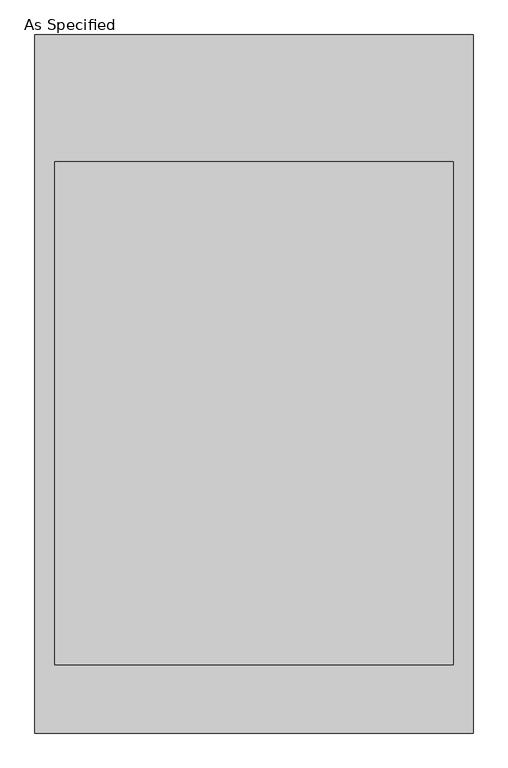
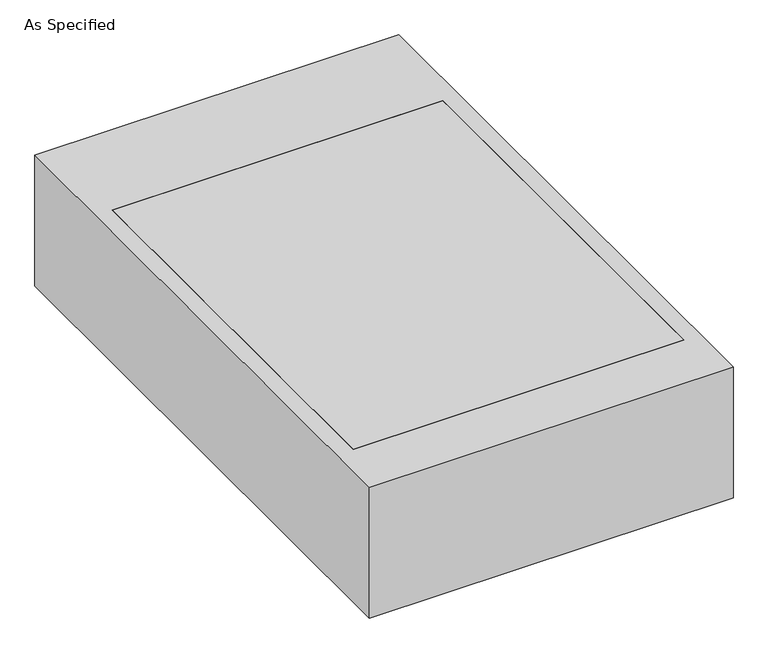
"""IFC4 building model written with IfcOpenShell, lengths in millimetres: proxy geometry, As Specified."""

from ifc_helpers import new_model, si_unit, frame, origin, place, context, project, spatial, polyline, outline, extrude, faceted_brep, source, transform, mapped, element, save


def as_specified_71663c70(model_context):
    return source(origin(), model_context, "Body", "SolidModel", [
        faceted_brep([(-663.575, 1057.275, -25.4), (-663.575, 1057.275, -530.225), (-663.575, -1057.275, -530.225), (-663.575, -1057.275, -25.4), (-603.25, 673.1, -25.4), (-603.25, -850.9, -25.4), (-603.25, -850.9, -373.0625), (-603.25, 673.1, -373.0625), (663.575, 1057.275, -25.4), (663.575, -1057.275, -25.4), (603.25, 673.1, -25.4), (603.25, -850.9, -25.4), (663.575, -1057.275, -530.225), (663.575, 1057.275, -530.225), (603.25, 673.1, -373.0625), (603.25, -850.9, -373.0625)], [[[0, 1, 2, 3]], [[4, 5, 6, 7]], [[8, 0, 3, 9], [5, 4, 10, 11]], [[8, 9, 12, 13]], [[12, 9, 3, 2]], [[13, 12, 2, 1]], [[8, 13, 1, 0]], [[4, 7, 14, 10]], [[7, 6, 15, 14]], [[6, 5, 11, 15]], [[11, 10, 14, 15]]]),
        extrude(outline(polyline([(603.25, 673.1), (603.25, -850.9), (-603.25, -850.9), (-603.25, 673.1), (603.25, 673.1)])), frame((0.0, 0.0, -373.0625), z_axis=(0.0, 0.0, 1.0), x_axis=(1.0, 0.0, 0.0)), (0.0, 0.0, 1.0), 347.6625),
    ])


if __name__ == "__main__":
    model = new_model("IFC4")
    model_context = context("Model", 3, world=origin())
    ifc_project = project(units=[si_unit("LENGTHUNIT", "METRE", prefix="MILLI")], contexts=[model_context])
    site = spatial("IfcSite", under=ifc_project)
    building = spatial("IfcBuilding", under=site)
    placement = place(None, origin())
    as_specified_shape = as_specified_71663c70(model_context)
    element("IfcBuildingElementProxy", 1, Name="As Specified", ObjectType="As Specified", at=placement, inside=building, context=model_context, shape_type="MappedRepresentation", body=[
        mapped(as_specified_shape, transform((0.0, 0.0, 0.0), x_axis=(1.0, 0.0, 0.0), y_axis=(0.0, 1.0, 0.0), z_axis=(0.0, 0.0, 1.0))),
    ])
    save(model, "model.ifc")
